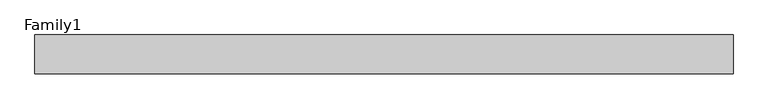
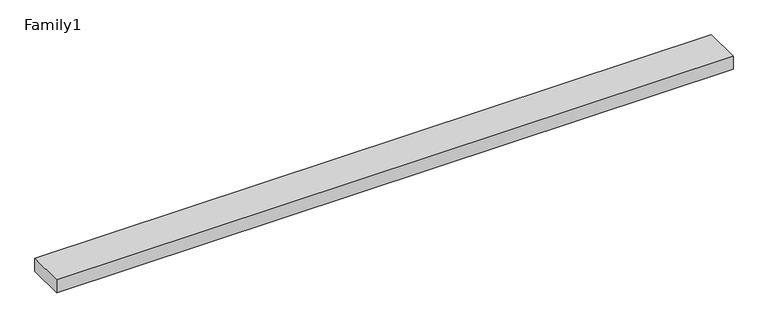
"""IFC4 building model written with IfcOpenShell, lengths in millimetres: proxy geometry, Family1."""

from ifc_helpers import new_model, si_unit, origin, origin_with_axes, place, context, project, spatial, polyline, outline, extrude, source, transform, mapped, element, save


def family1_68559bee(model_context):
    return source(origin(), model_context, "Body", "SweptSolid", [
        extrude(outline(polyline([(90000.0, 0.0), (0.0, 0.0), (0.0, 5000.0), (90000.0, 5000.0), (90000.0, 0.0)])), origin_with_axes(), (0.0, 0.0, 1.0), 1784.0),
    ])


if __name__ == "__main__":
    model = new_model("IFC4")
    model_context = context("Model", 3, world=origin())
    ifc_project = project(units=[si_unit("LENGTHUNIT", "METRE", prefix="MILLI")], contexts=[model_context])
    site = spatial("IfcSite", under=ifc_project)
    building = spatial("IfcBuilding", under=site)
    placement = place(None, origin())
    family1_shape = family1_68559bee(model_context)
    element("IfcBuildingElementProxy", 1, Name="Family1", ObjectType="Family1", at=placement, inside=building, context=model_context, shape_type="MappedRepresentation", body=[
        mapped(family1_shape, transform((0.0, 0.0, 0.0), x_axis=(1.0, 0.0, 0.0), y_axis=(0.0, 1.0, 0.0), z_axis=(0.0, 0.0, 1.0))),
    ])
    save(model, "model.ifc")
